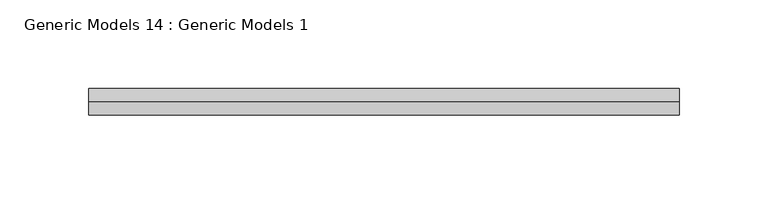
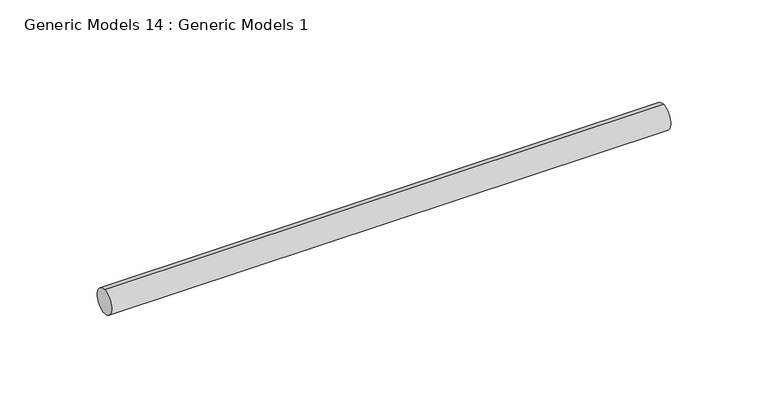
"""IFC4 building model written with IfcOpenShell, lengths in millimetres: proxy geometry, Generic Models 14 : Generic Models 1."""

from ifc_helpers import new_model, si_unit, point, frame, frame_2d, origin, place, context, project, spatial, circle_curve, trimmed, segment, composite_curve, outline, extrude, source, transform, mapped, element, save


def generic_models_14_generic_models_1_0c961abc(model_context):
    return source(origin(), model_context, "Body", "SweptSolid", [
        extrude(outline(composite_curve([segment(trimmed(circle_curve(frame_2d((400.3057469, -814.107223)), 7.5), [point((400.3057469, -821.607223))], [point((400.3057469, -806.607223))], False, "CARTESIAN"), True, "CONTINUOUS"), segment(trimmed(circle_curve(frame_2d((400.3057469, -814.107223)), 7.5), [point((400.3057469, -806.607223))], [point((400.3057469, -821.607223))], False, "CARTESIAN"), True, "CONTINUOUS")], self_intersect=False)), frame((5010.5671963, 0.0, 0.0), z_axis=(1.0, 0.0, 0.0), x_axis=(0.0, 1.0, 0.0)), (0.0, 0.0, 1.0), 332.0),
    ])


if __name__ == "__main__":
    model = new_model("IFC4")
    model_context = context("Model", 3, world=origin())
    ifc_project = project(units=[si_unit("LENGTHUNIT", "METRE", prefix="MILLI")], contexts=[model_context])
    site = spatial("IfcSite", under=ifc_project)
    building = spatial("IfcBuilding", under=site)
    placement = place(None, origin())
    generic_models_14_generic_models_1_shape = generic_models_14_generic_models_1_0c961abc(model_context)
    element("IfcBuildingElementProxy", 1, Name="Generic Models 14 : Generic Models 1", ObjectType="Generic Models 14 : Generic Models 1", at=placement, inside=building, context=model_context, shape_type="MappedRepresentation", body=[
        mapped(generic_models_14_generic_models_1_shape, transform((0.0, 0.0, 0.0), x_axis=(1.0, 0.0, 0.0), y_axis=(0.0, 1.0, 0.0), z_axis=(0.0, 0.0, 1.0))),
    ])
    save(model, "model.ifc")
